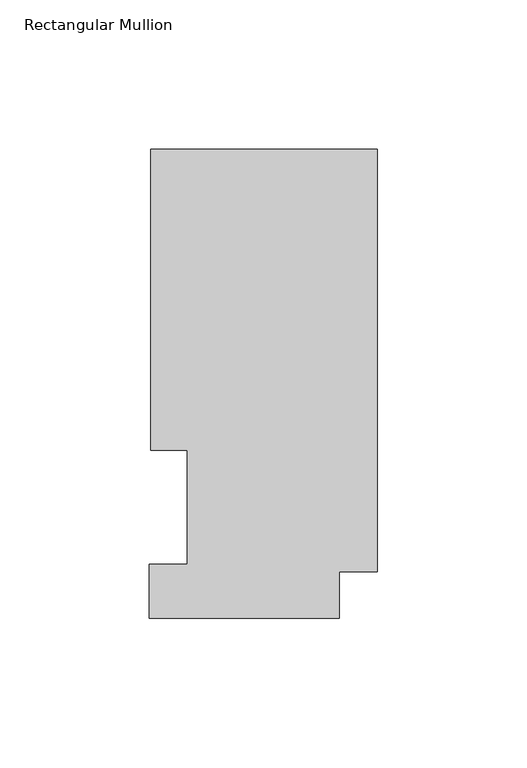
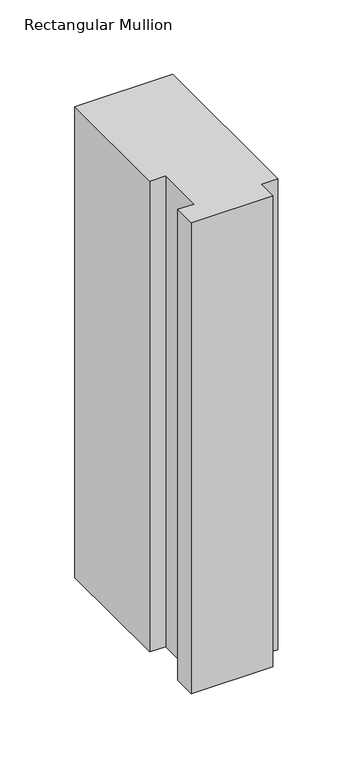
"""IFC4 building model written with IfcOpenShell, lengths in millimetres: member geometry, Rectangular Mullion."""

from ifc_helpers import new_model, si_unit, frame, origin, place, context, project, spatial, polyline, outline, extrude, source, transform, mapped, element, save


def rectangular_mullion_762fc441(model_context):
    return source(origin(), model_context, "Body", "SweptSolid", [
        extrude(outline(polyline([(-75.7936, 157.3395063), (0.0, 157.3395063), (0.0, 16.1663063), (-12.7, 16.1663063), (-12.7, 0.5199063), (-76.2, 0.5199063), (-76.2, 18.5539063), (-63.5, 18.5539063), (-63.5, 56.6539063), (-75.7936, 56.6539063), (-75.7936, 157.3395063)])), frame((0.0, 0.0, -386.2573929), z_axis=(0.0, 0.0, 1.0), x_axis=(1.0, 0.0, 0.0)), (0.0, 0.0, 1.0), 386.2573929),
    ])


if __name__ == "__main__":
    model = new_model("IFC4")
    model_context = context("Model", 3, world=origin())
    ifc_project = project(units=[si_unit("LENGTHUNIT", "METRE", prefix="MILLI")], contexts=[model_context])
    site = spatial("IfcSite", under=ifc_project)
    building = spatial("IfcBuilding", under=site)
    placement = place(None, origin())
    rectangular_mullion_shape = rectangular_mullion_762fc441(model_context)
    element("IfcMember", 1, ObjectType="Rectangular Mullion", at=placement, inside=building, context=model_context, shape_type="MappedRepresentation", body=[
        mapped(rectangular_mullion_shape, transform((0.0, 0.0, 0.0), x_axis=(1.0, 0.0, 0.0), y_axis=(0.0, 1.0, 0.0), z_axis=(0.0, 0.0, 1.0))),
    ])
    save(model, "model.ifc")
